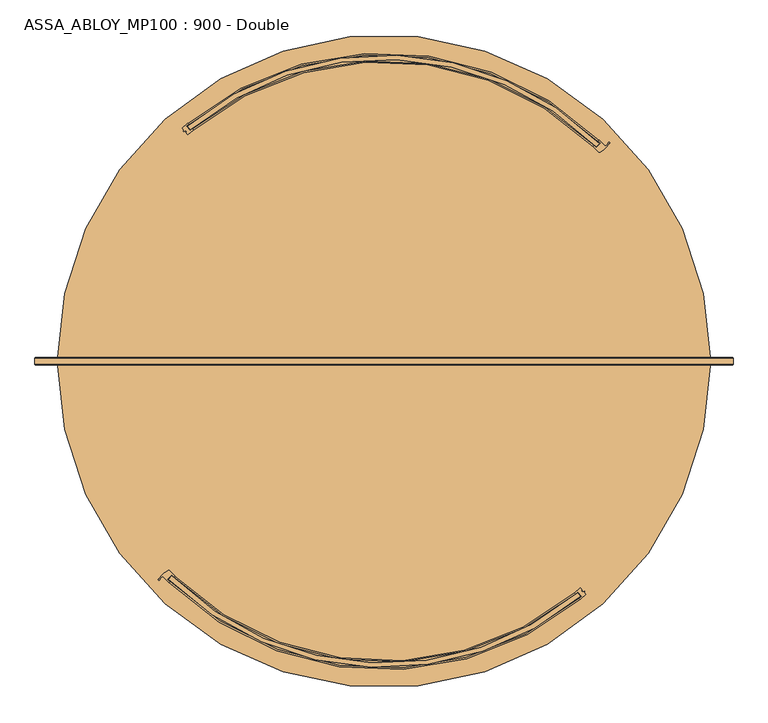
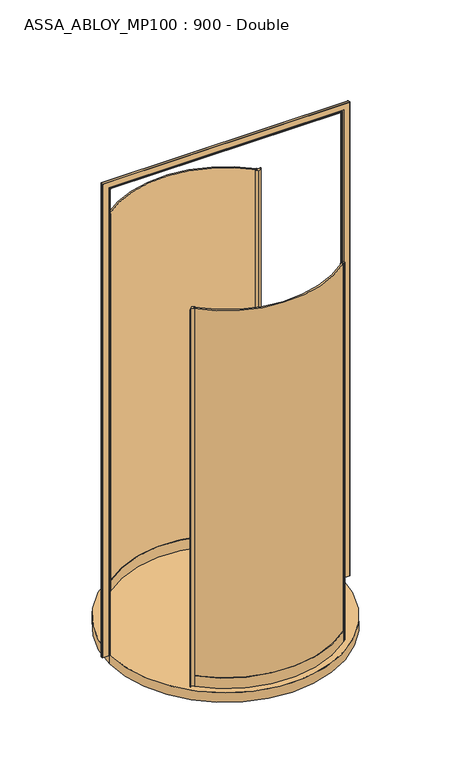
"""IFC4 building model written with IfcOpenShell, lengths in millimetres: door geometry, ASSA_ABLOY_MP100 : 900 - Double."""

import ifcopenshell
import ifcopenshell.guid

model = None  # the IFC model being written
_history = None  # IfcOwnerHistory: only IFC2X3 demands one
_inside = {}  # id of a spatial element -> (the spatial element, [elements in it])
_under = {}  # id of a project, library or spatial element -> (it, [spatial elements below it])
_declared = {}  # id of a project -> (the project, [libraries it declares])
_typed = {}  # id of a type object -> (the type object, [elements of that type])
_made_of = {}  # id of a material, layer set ... -> (it, [elements and type objects made of it])


def new_model(schema):
    """Start an empty IFC model of exactly this schema.

    Asked for "IFC4X3", IfcOpenShell would pick the latest addendum, in which some entities
    have other attributes; the version numbers below select the first issue.
    IFC2X3 requires an IfcOwnerHistory on every rooted entity: one is made here for all.
    """
    global model, _history
    if schema == "IFC4X3":
        model = ifcopenshell.file(schema_version=(4, 3, 0, 0))
    else:
        model = ifcopenshell.file(schema=schema)
    _inside.clear()
    _under.clear()
    _declared.clear()
    _typed.clear()
    _made_of.clear()
    _history = None
    if model.schema == "IFC2X3":
        org = make("IfcOrganization", Name="unknown")
        user = make(
            "IfcPersonAndOrganization",
            ThePerson=make("IfcPerson", FamilyName="unknown"),
            TheOrganization=org,
        )
        app = make(
            "IfcApplication",
            ApplicationDeveloper=org,
            Version="unknown",
            ApplicationFullName="unknown",
            ApplicationIdentifier="unknown",
        )
        _history = make(
            "IfcOwnerHistory",
            OwningUser=user,
            OwningApplication=app,
            ChangeAction="ADDED",
            CreationDate=0,
        )
    return model


def make(cls, **values):
    """One entity of the class cls with the attributes given. An attribute that is None is left unset."""
    return model.create_entity(
        cls, **{name: value for name, value in values.items() if value is not None}
    )


def rooted(cls, **values):
    """An entity with a GlobalId (a new one), such as an element, a storey or a relation."""
    return make(cls, GlobalId=ifcopenshell.guid.new(), OwnerHistory=_history, **values)


def si_unit(unit_type, name, prefix=None):
    """IfcSIUnit, for example si_unit("LENGTHUNIT", "METRE", prefix="MILLI")."""
    return make("IfcSIUnit", UnitType=unit_type, Prefix=prefix, Name=name)


def assignment(units):
    """IfcUnitAssignment: the units of a project."""
    return None if units is None else make("IfcUnitAssignment", Units=units)


def point(xyz):
    """IfcCartesianPoint."""
    return None if xyz is None else make("IfcCartesianPoint", Coordinates=xyz)


def direction(xyz):
    """IfcDirection."""
    return None if xyz is None else make("IfcDirection", DirectionRatios=xyz)


def frame(location, z_axis=None, x_axis=None):
    """IfcAxis2Placement3D, a coordinate frame: its origin and axes. An axis left out is left unset."""
    return make(
        "IfcAxis2Placement3D",
        Location=point(location),
        Axis=direction(z_axis),
        RefDirection=direction(x_axis),
    )


def frame_2d(location, x_axis=None):
    """IfcAxis2Placement2D, a coordinate frame in the plane: its origin and x axis."""
    return make(
        "IfcAxis2Placement2D", Location=point(location), RefDirection=direction(x_axis)
    )


def origin():
    """The frame at (0, 0, 0) with its axes left unset."""
    return frame((0.0, 0.0, 0.0))


def origin_with_axes():
    """The frame at (0, 0, 0) with the z axis (0, 0, 1) and the x axis (1, 0, 0) written out."""
    return frame((0.0, 0.0, 0.0), z_axis=(0.0, 0.0, 1.0), x_axis=(1.0, 0.0, 0.0))


def place(relative_to, where):
    """IfcLocalPlacement: puts the frame where relative to a parent placement (None: the world)."""
    return make(
        "IfcLocalPlacement", PlacementRelTo=relative_to, RelativePlacement=where
    )


def context(
    kind, dimensions, precision=None, world=None, true_north=None, identifier=None
):
    """IfcGeometricRepresentationContext, for example the 3D "Model" context."""
    return make(
        "IfcGeometricRepresentationContext",
        ContextIdentifier=identifier,
        ContextType=kind,
        CoordinateSpaceDimension=dimensions,
        Precision=precision,
        WorldCoordinateSystem=world,
        TrueNorth=true_north,
    )


def project(units=None, contexts=None):
    """IfcProject with its units and contexts."""
    return rooted(
        "IfcProject",
        Name="project",
        RepresentationContexts=contexts,
        UnitsInContext=assignment(units),
    )


def spatial(cls, under=None, at=None, **own):
    """A site, building, storey or space (cls), placed at a placement, below another one or the project."""
    s = rooted(cls, ObjectPlacement=at, **own)
    if under is not None:
        _under.setdefault(under.id(), (under, []))[1].append(s)
    return s


def polyline(points):
    """IfcPolyline through the points."""
    return make("IfcPolyline", Points=[point(p) for p in points])


def circle_curve(where, radius):
    """IfcCircle in the frame where."""
    return make("IfcCircle", Position=where, Radius=radius)


def ellipse_curve(where, semi_axis1, semi_axis2):
    """IfcEllipse in the frame where."""
    return make(
        "IfcEllipse", Position=where, SemiAxis1=semi_axis1, SemiAxis2=semi_axis2
    )


def trimmed(basis, trim1, trim2, sense, master):
    """IfcTrimmedCurve: the piece of a basis curve between two trims."""
    return make(
        "IfcTrimmedCurve",
        BasisCurve=basis,
        Trim1=trim1,
        Trim2=trim2,
        SenseAgreement=sense,
        MasterRepresentation=master,
    )


def segment(curve, same_sense, transition):
    """IfcCompositeCurveSegment."""
    return make(
        "IfcCompositeCurveSegment",
        Transition=transition,
        SameSense=same_sense,
        ParentCurve=curve,
    )


def composite_curve(segments, self_intersect=None):
    """IfcCompositeCurve: segments joined end to end."""
    return make("IfcCompositeCurve", Segments=segments, SelfIntersect=self_intersect)


def outline(outer, holes=None, kind="AREA"):
    """IfcArbitraryClosedProfileDef: a profile drawn as a closed curve; with holes, ...WithVoids."""
    if holes is None:
        return make("IfcArbitraryClosedProfileDef", ProfileType=kind, OuterCurve=outer)
    return make(
        "IfcArbitraryProfileDefWithVoids",
        ProfileType=kind,
        OuterCurve=outer,
        InnerCurves=holes,
    )


def extrude(swept, where, along, depth):
    """IfcExtrudedAreaSolid: the profile swept, set in the frame where, extruded along a direction by depth."""
    return make(
        "IfcExtrudedAreaSolid",
        SweptArea=swept,
        Position=where,
        ExtrudedDirection=direction(along),
        Depth=depth,
    )


def shape(context_of_items, identifier, shape_type, items):
    """IfcShapeRepresentation: the items that make up one representation, for example the "Body"."""
    return make(
        "IfcShapeRepresentation",
        ContextOfItems=context_of_items,
        RepresentationIdentifier=identifier,
        RepresentationType=shape_type,
        Items=items,
    )


def source(mapping_origin, context_of_items, identifier, shape_type, items):
    """IfcRepresentationMap: a shape defined once, which mapped items show again and again."""
    return make(
        "IfcRepresentationMap",
        MappingOrigin=mapping_origin,
        MappedRepresentation=shape(context_of_items, identifier, shape_type, items),
    )


def transform(
    local_origin,
    x_axis=None,
    y_axis=None,
    z_axis=None,
    scale=None,
    scale2=None,
    scale3=None,
    uniform=True,
):
    """IfcCartesianTransformationOperator3D, or its non-uniform kind. x_axis, y_axis, z_axis: its Axis1, 2, 3."""
    if uniform:
        return make(
            "IfcCartesianTransformationOperator3D",
            Axis1=direction(x_axis),
            Axis2=direction(y_axis),
            LocalOrigin=point(local_origin),
            Scale=scale,
            Axis3=direction(z_axis),
        )
    return make(
        "IfcCartesianTransformationOperator3DnonUniform",
        Axis1=direction(x_axis),
        Axis2=direction(y_axis),
        LocalOrigin=point(local_origin),
        Scale=scale,
        Axis3=direction(z_axis),
        Scale2=scale2,
        Scale3=scale3,
    )


def mapped(mapping_source, mapping_target):
    """IfcMappedItem: shows the shape of a source again, moved by a transform."""
    return make(
        "IfcMappedItem", MappingSource=mapping_source, MappingTarget=mapping_target
    )


def made_of(thing, what):
    """Note that an element or type object is made of a material, layer set ...; save() writes the relation."""
    if what is not None:
        _made_of.setdefault(what.id(), (what, []))[1].append(thing)
    return thing


def element(
    cls,
    number,
    at=None,
    inside=None,
    cuts=None,
    type_object=None,
    material=None,
    context=None,
    identifier="Body",
    shape_type=None,
    held_by="IfcProductDefinitionShape",
    body=None,
    shapes=None,
    **own,
):
    """One element of the class cls, such as IfcWall. Its Tag is "e" and its number.

    at: its placement. inside: the storey or other place that contains it. cuts: it is an
    opening in that element (IfcRelVoidsElement). A single representation is given by context,
    identifier, shape_type and body (its items); several are given by shapes. held_by: the class
    of the entity that holds the representations. save() writes the other relations.
    """
    e = rooted(cls, Tag="e%d" % number, ObjectPlacement=at, **own)
    if body is not None:
        shapes = [shape(context, identifier, shape_type, body)]
    if shapes is not None:
        e.Representation = make(held_by, Representations=shapes)
    if inside is not None:
        _inside.setdefault(inside.id(), (inside, []))[1].append(e)
    if cuts is not None:
        rooted(
            "IfcRelVoidsElement", RelatingBuildingElement=cuts, RelatedOpeningElement=e
        )
    if type_object is not None:
        _typed.setdefault(type_object.id(), (type_object, []))[1].append(e)
    return made_of(e, material)


def aggregate(whole, parts):
    """IfcRelAggregates: a whole, such as a stair, and the parts it consists of."""
    return rooted("IfcRelAggregates", RelatingObject=whole, RelatedObjects=parts)


def save(model, path):
    """Write the relations noted so far, then the file.

    IfcRelAggregates (storeys below a building ...), IfcRelContainedInSpatialStructure (elements
    in a storey), IfcRelDefinesByType, IfcRelAssociatesMaterial and IfcRelDeclares: one each for
    every whole, place, type object, material and project.
    """
    for whole, parts in _under.values():
        aggregate(whole, parts)
    for where, things in _inside.values():
        rooted(
            "IfcRelContainedInSpatialStructure",
            RelatedElements=things,
            RelatingStructure=where,
        )
    for kind, things in _typed.values():
        rooted("IfcRelDefinesByType", RelatedObjects=things, RelatingType=kind)
    for what, things in _made_of.values():
        rooted("IfcRelAssociatesMaterial", RelatedObjects=things, RelatingMaterial=what)
    for by, libraries in _declared.values():
        rooted("IfcRelDeclares", RelatingContext=by, RelatedDefinitions=libraries)
    model.write(path)


def plane_surface(at):
    """IfcPlane: the flat surface through the origin of the frame at, square to its z axis."""
    return make("IfcPlane", Position=at)


def cylinder_surface(at, radius):
    """IfcCylindricalSurface: all points at the distance radius from the z axis of the frame at."""
    return make("IfcCylindricalSurface", Position=at, Radius=radius)


def revolved_surface(curve, axis_point, axis_direction):
    """IfcSurfaceOfRevolution: the curve turned about the line through axis_point along axis_direction."""
    return make(
        "IfcSurfaceOfRevolution",
        SweptCurve=make("IfcArbitraryOpenProfileDef", ProfileType="CURVE", Curve=curve),
        AxisPosition=make("IfcAxis1Placement", Location=point(axis_point), Axis=direction(axis_direction)),
    )


def advanced_brep(points, edges, surfaces, faces):
    """IfcAdvancedBrep: a solid bounded by faces that lie on surfaces and meet in shared edges.

    An edge is (start, end): straight between two places in points (the first is 0);
    or (start, end, curve); or (start, end, curve, False) where it runs against its curve.
    A face is (place in surfaces, loops), or (place, loops, False) where it looks against
    its surface's normal. A loop lists edges by number (the first is 1), with a minus sign
    where the edge is run from its end to its start. The first loop is the outer one.
    """
    corners = [point(p) for p in points]
    vertices = [make("IfcVertexPoint", VertexGeometry=c) for c in corners]
    made = []
    for start, end, *more in edges:
        made.append(
            make(
                "IfcEdgeCurve",
                EdgeStart=vertices[start],
                EdgeEnd=vertices[end],
                EdgeGeometry=more[0] if more else make("IfcPolyline", Points=[corners[start], corners[end]]),
                SameSense=more[1] if len(more) > 1 else True,
            )
        )
    hull = []
    for where, loops, *sense in faces:
        bounds = []
        for j, loop in enumerate(loops):
            ring = [make("IfcOrientedEdge", EdgeElement=made[abs(k) - 1], Orientation=k > 0) for k in loop]
            bounds.append(
                make(
                    "IfcFaceOuterBound" if j == 0 else "IfcFaceBound",
                    Bound=make("IfcEdgeLoop", EdgeList=ring),
                    Orientation=True,
                )
            )
        hull.append(make("IfcAdvancedFace", Bounds=bounds, FaceSurface=surfaces[where], SameSense=sense[0] if sense else True))
    return make("IfcAdvancedBrep", Outer=make("IfcClosedShell", CfsFaces=hull))


def assa_abloy_mp100_900_double_cacc8bb5(model_context):
    return source(origin(), model_context, "Body", "SolidModel", [
        extrude(outline(composite_curve([segment(trimmed(circle_curve(frame_2d((125.0, 0.0)), 698.5), [point((-365.9895728, -496.8213858))], [point((572.911727, -535.9825882))], True, "CARTESIAN"), True, "CONTINUOUS"), segment(polyline([(572.911727, -535.9825882), (579.2710339, -543.7003566)]), True, "CONTINUOUS"), segment(trimmed(circle_curve(frame_2d((125.0, 0.0)), 708.5), [point((579.2710339, -543.7003566))], [point((-372.9678543, -503.9843907))], False, "CARTESIAN"), True, "CONTINUOUS"), segment(polyline([(-372.9678543, -503.9843907), (-365.9895728, -496.8213858)]), True, "CONTINUOUS")], self_intersect=False)), origin_with_axes(), (0.0, 0.0, 1.0), 2600.0),
        extrude(outline(composite_curve([segment(polyline([(578.994875, -524.2431721), (583.3305753, -529.5050553), (581.4011788, -531.0948444), (583.6268836, -533.7959994), (588.1303685, -531.7447887), (588.8351403, -532.6001123), (587.4592124, -534.5156429), (591.7169037, -539.682853)]), True, "CONTINUOUS"), segment(trimmed(circle_curve(frame_2d((125.0, 0.0)), 713.5), [point((591.7169037, -539.682853))], [point((578.7258137, -550.6497399))], False, "CARTESIAN"), True, "CONTINUOUS"), segment(polyline([(578.7258137, -550.6497399), (576.8180667, -548.3344642)]), True, "CONTINUOUS"), segment(trimmed(circle_curve(frame_2d((125.0, 0.0)), 710.5), [point((576.8180667, -548.3344642))], [point((582.1984481, -543.8564416))], True, "CARTESIAN"), True, "CONTINUOUS"), segment(polyline([(582.1984481, -543.8564416), (573.2951882, -533.0512867)]), True, "CONTINUOUS"), segment(trimmed(circle_curve(frame_2d((125.0, 0.0)), 696.5), [point((573.2951882, -533.0512867))], [point((567.7977457, -537.6266422))], False, "CARTESIAN"), True, "CONTINUOUS"), segment(polyline([(567.7977457, -537.6266422), (566.0075007, -535.2145685)]), True, "CONTINUOUS"), segment(trimmed(circle_curve(frame_2d((125.0, 0.0)), 693.5), [point((566.0075007, -535.2145685))], [point((578.994875, -524.2431721))], True, "CARTESIAN"), True, "CONTINUOUS")], self_intersect=False)), origin_with_axes(), (0.0, 0.0, 1.0), 2600.0),
        advanced_brep(
        [(-365.998522, -493.9942887, 0.0), (-375.699855, -504.0902616, 0.0), (-370.6884468, -508.9778468, 0.0), (-372.7670678, -511.1410238, 0.0), (-386.6133107, -497.2748611, 0.0), (-393.778249, -505.9668089, 0.0), (-396.349799, -504.6508512, 0.0), (-374.4826662, -484.364755, 0.0), (-370.8006619, -484.8633819, 0.0), (-358.9095948, -496.7198435, 0.0), (-360.9882157, -498.8830206, 0.0), (-365.998522, -493.9942887, 2600.0), (-360.9882157, -498.8830206, 2600.0), (-358.9095948, -496.7198435, 2600.0), (-370.8006619, -484.8633819, 2600.0), (-374.4826662, -484.364755, 2600.0), (-396.349799, -504.6508512, 2600.0), (-393.7920549, -505.9595954, 2600.0), (-386.6133107, -497.2748611, 2600.0), (-372.7670678, -511.1410238, 2600.0), (-370.6884468, -508.9778468, 2600.0), (-375.699855, -504.0902616, 2600.0)],
        [
            (0, 1),
            (1, 2, circle_curve(frame((-43.9985207, -168.9985207, 0.0), z_axis=(0.0, 0.0, 1.0), x_axis=(-0.707106781186553, 0.7071067811865419, 0.0)), 471.5)),
            (2, 3),
            (3, 4, circle_curve(frame((-43.9985207, -168.9985207, 0.0), z_axis=(0.0, 0.0, -1.0), x_axis=(-0.707106781186553, 0.7071067811865419, 0.0)), 474.5)),
            (4, 5, circle_curve(frame((-369.5950932, -518.6023736, 0.0), z_axis=(0.0, 0.0, 1.0), x_axis=(-0.707106781186553, 0.7071067811865419, 0.0)), 27.285207)),
            (5, 6, circle_curve(frame((-395.0653426, -505.2943097, 0.0), z_axis=(0.0, 0.0, -1.0), x_axis=(-0.707106781186553, 0.7071067811865419, 0.0)), 1.4366164)),
            (6, 7, circle_curve(frame((-338.9017941, -544.6474353, 0.0), z_axis=(0.0, 0.0, -1.0), x_axis=(-0.707106781186553, 0.7071067811865419, 0.0)), 70.0)),
            (7, 8, circle_curve(frame((-372.9577717, -486.9482985, 0.0), z_axis=(0.0, 0.0, -1.0), x_axis=(-0.707106781186553, 0.7071067811865419, 0.0)), 3.0)),
            (8, 9, circle_curve(frame((-43.9985207, -168.9985207, 0.0), z_axis=(0.0, 0.0, 1.0), x_axis=(-0.707106781186553, 0.7071067811865419, 0.0)), 454.5)),
            (9, 10),
            (10, 0, circle_curve(frame((-43.9985207, -168.9985207, 0.0), z_axis=(0.0, 0.0, -1.0), x_axis=(-0.707106781186553, 0.7071067811865419, 0.0)), 457.5)),
            (11, 12, circle_curve(frame((-43.9985207, -168.9985207, 2600.0), z_axis=(0.0, 0.0, 1.0), x_axis=(-0.707106781186553, 0.7071067811865419, 0.0)), 457.5)),
            (12, 13),
            (13, 14, circle_curve(frame((-43.9985207, -168.9985207, 2600.0), z_axis=(0.0, 0.0, -1.0), x_axis=(-0.707106781186553, 0.7071067811865419, 0.0)), 454.5)),
            (14, 15, circle_curve(frame((-372.9577717, -486.9482985, 2600.0), z_axis=(0.0, 0.0, 1.0), x_axis=(-0.707106781186553, 0.7071067811865419, 0.0)), 3.0)),
            (15, 16, circle_curve(frame((-338.9017941, -544.6474353, 2600.0), z_axis=(0.0, 0.0, 1.0), x_axis=(-0.707106781186553, 0.7071067811865419, 0.0)), 70.0)),
            (16, 17, circle_curve(frame((-395.0653426, -505.2943097, 2600.0), z_axis=(0.0, 0.0, 1.0), x_axis=(-0.707106781186553, 0.7071067811865419, 0.0)), 1.4366164)),
            (17, 18, circle_curve(frame((-369.5950932, -518.6023736, 2600.0), z_axis=(0.0, 0.0, -1.0), x_axis=(-0.707106781186553, 0.7071067811865419, 0.0)), 27.285207)),
            (18, 19, circle_curve(frame((-43.9985207, -168.9985207, 2600.0), z_axis=(0.0, 0.0, 1.0), x_axis=(-0.707106781186553, 0.7071067811865419, 0.0)), 474.5)),
            (19, 20),
            (20, 21, circle_curve(frame((-43.9985207, -168.9985207, 2600.0), z_axis=(0.0, 0.0, -1.0), x_axis=(-0.707106781186553, 0.7071067811865419, 0.0)), 471.5)),
            (21, 11),
            (0, 11),
            (21, 1),
            (20, 2),
            (19, 3),
            (18, 4),
            (8, 14),
            (13, 9),
            (12, 10),
            (17, 5),
            (16, 6),
            (15, 7),
        ],
        [
            plane_surface(frame((-365.3785528, -490.3785528, 0.0), z_axis=(0.0, 0.0, -1.0), x_axis=(-0.707106781186542, -0.7071067811865531, 0.0))),
            plane_surface(frame((-365.3785528, -490.3785528, 2600.0), z_axis=(0.0, 0.0, 1.0), x_axis=(-0.707106781186542, -0.7071067811865531, 0.0))),
            plane_surface(frame((-365.998522, -493.9942887, 0.0), z_axis=(0.7210590160944299, -0.692873650320845, 0.0), x_axis=(0.0, 0.0, 1.0))),
            revolved_surface(polyline([(-377.39936802945977, 164.4023266294545, 2600.0), (-377.39936802945977, 164.4023266294545, 0.0)]), (-43.9985207, -168.9985207, 0.0), (0.0, 0.0, 1.0)),
            plane_surface(frame((-370.6884468, -508.9778468, 0.0), z_axis=(0.7210590160945624, -0.6928736503207072, 0.0), x_axis=(0.0, 0.0, 1.0))),
            cylinder_surface(frame((-43.9985207, -168.9985207, 0.0), z_axis=(0.0, 0.0, -1.0), x_axis=(-0.707106781186553, 0.7071067811865419, 0.0)), 474.5),
            revolved_surface(polyline([(-365.37855274928836, 152.38151134928327, 2600.0), (-365.37855274928836, 152.38151134928327, 0.0)]), (-43.9985207, -168.9985207, 0.0), (0.0, 0.0, 1.0)),
            plane_surface(frame((-358.9095948, -496.7198435, 0.0), z_axis=(0.7210590160946411, -0.6928736503206254, 0.0), x_axis=(0.0, 0.0, 1.0))),
            cylinder_surface(frame((-43.9985207, -168.9985207, 0.0), z_axis=(0.0, 0.0, -1.0), x_axis=(-0.707106781186553, 0.7071067811865419, 0.0)), 457.5),
            revolved_surface(polyline([(-388.8886480957788, -499.30881870422144, 2600.0), (-388.8886480957788, -499.30881870422144, 0.0)]), (-369.5950932, -518.6023736, 0.0), (0.0, 0.0, 1.0)),
            cylinder_surface(frame((-395.0653426, -505.2943097, 0.0), z_axis=(0.0, 0.0, -1.0), x_axis=(-0.707106781186553, 0.7071067811865419, 0.0)), 1.4366164),
            cylinder_surface(frame((-338.9017941, -544.6474353, 0.0), z_axis=(0.0, 0.0, -1.0), x_axis=(-0.707106781186553, 0.7071067811865419, 0.0)), 70.0),
            cylinder_surface(frame((-372.9577717, -486.9482985, 0.0), z_axis=(0.0, 0.0, -1.0), x_axis=(-0.707106781186553, 0.7071067811865419, 0.0)), 3.0),
        ],
        [
            (0, [[1, 2, 3, 4, 5, 6, 7, 8, 9, 10, 11]]),
            (1, [[12, 13, 14, 15, 16, 17, 18, 19, 20, 21, 22]]),
            (2, [[-1, 23, -22, 24]]),
            (3, [[-2, -24, -21, 25]]),
            (4, [[-3, -25, -20, 26]]),
            (5, [[-4, -26, -19, 27]]),
            (6, [[-9, 28, -14, 29]]),
            (7, [[-10, -29, -13, 30]]),
            (8, [[-11, -30, -12, -23]]),
            (9, [[-5, -27, -18, 31]]),
            (10, [[-6, -31, -17, 32]]),
            (11, [[-7, -32, -16, 33]]),
            (12, [[-8, -33, -15, -28]]),
        ],
    ),
        advanced_brep(
        [(-358.931596, -496.7418448, 73.0), (-358.931596, -496.7418448, 0.0), (-361.0250276, -498.890692, 0.0), (-361.0250276, -498.890692, 24.0), (-370.7943749, -508.9186456, 24.0), (-370.7943749, -508.9186456, 0.0), (-372.8878064, -511.0674928, 0.0), (-372.8878064, -511.0674928, 73.0), (-370.7943749, -508.9186456, 73.0), (-370.7943749, -508.9186456, 39.0), (-361.0250276, -498.890692, 39.0), (-361.0250276, -498.890692, 73.0), (566.0075007, -535.2145685, 73.0), (567.9152477, -537.5298442, 73.0), (567.9152477, -537.5298442, 39.0), (576.8180667, -548.3344642, 39.0), (576.8180667, -548.3344642, 73.0), (578.7258137, -550.6497399, 73.0), (578.7258137, -550.6497399, 0.0), (576.8180667, -548.3344642, 0.0), (576.8180667, -548.3344642, 24.0), (567.9152477, -537.5298442, 24.0), (567.9152477, -537.5298442, 0.0), (566.0075007, -535.2145685, 0.0)],
        [
            (0, 1),
            (1, 2),
            (2, 3),
            (3, 4),
            (4, 5),
            (5, 6),
            (6, 7),
            (7, 8),
            (8, 9),
            (9, 10),
            (10, 11),
            (11, 0),
            (12, 13),
            (13, 14),
            (14, 15),
            (15, 16),
            (16, 17),
            (17, 18),
            (18, 19),
            (19, 20),
            (20, 21),
            (21, 22),
            (22, 23),
            (23, 12),
            (23, 1, circle_curve(frame((125.0, 0.0, 0.0), z_axis=(0.0, 0.0, -1.0), x_axis=(-0.6978105206016527, -0.7162824005499858, 0.0)), 693.5)),
            (0, 12, circle_curve(frame((125.0, 0.0, 73.0), z_axis=(0.0, 0.0, 1.0), x_axis=(-0.6978105206016527, -0.7162824005499858, 0.0)), 693.5)),
            (22, 2, circle_curve(frame((125.0, 0.0, 0.0), z_axis=(0.0, 0.0, -1.0), x_axis=(-0.6978105206016527, -0.7162824005499858, 0.0)), 696.5)),
            (21, 3, circle_curve(frame((125.0, 0.0, 24.0), z_axis=(0.0, 0.0, -1.0), x_axis=(-0.6978105206016527, -0.7162824005499858, 0.0)), 696.5)),
            (20, 4, circle_curve(frame((125.0, 0.0, 24.0), z_axis=(0.0, 0.0, -1.0), x_axis=(-0.6978105206016527, -0.7162824005499858, 0.0)), 710.5)),
            (19, 5, circle_curve(frame((125.0, 0.0, 0.0), z_axis=(0.0, 0.0, -1.0), x_axis=(-0.6978105206016527, -0.7162824005499858, 0.0)), 710.5)),
            (18, 6, circle_curve(frame((125.0, 0.0, 0.0), z_axis=(0.0, 0.0, -1.0), x_axis=(-0.6978105206016527, -0.7162824005499858, 0.0)), 713.5)),
            (17, 7, circle_curve(frame((125.0, 0.0, 73.0), z_axis=(0.0, 0.0, -1.0), x_axis=(-0.6978105206016527, -0.7162824005499858, 0.0)), 713.5)),
            (16, 8, circle_curve(frame((125.0, 0.0, 73.0), z_axis=(0.0, 0.0, -1.0), x_axis=(-0.6978105206016527, -0.7162824005499858, 0.0)), 710.5)),
            (15, 9, circle_curve(frame((125.0, 0.0, 39.0), z_axis=(0.0, 0.0, -1.0), x_axis=(-0.6978105206016527, -0.7162824005499858, 0.0)), 710.5)),
            (14, 10, circle_curve(frame((125.0, 0.0, 39.0), z_axis=(0.0, 0.0, -1.0), x_axis=(-0.6978105206016527, -0.7162824005499858, 0.0)), 696.5)),
            (13, 11, circle_curve(frame((125.0, 0.0, 73.0), z_axis=(0.0, 0.0, -1.0), x_axis=(-0.6978105206016527, -0.7162824005499858, 0.0)), 696.5)),
        ],
        [
            plane_surface(frame((-358.931596, -496.7418448, 0.0), z_axis=(-0.7162824005499859, 0.6978105206016527, 0.0), x_axis=(0.0, 0.0, 1.0))),
            plane_surface(frame((566.0075007, -535.2145685, 0.0), z_axis=(0.7717585702338591, 0.6359156463483107, 0.0), x_axis=(0.0, 0.0, 1.0))),
            revolved_surface(polyline([(-358.93159603724615, -496.7418447814152, 73.00000000000003), (-358.93159603724615, -496.7418447814152, 0.0)]), (125.0, 0.0, 0.0), (0.0, 0.0, 1.0000000000000002)),
            plane_surface(frame((125.0, 0.0, 0.0), z_axis=(0.0, 0.0, -1.0), x_axis=(-0.6978105206016527, -0.7162824005499858, 0.0))),
            cylinder_surface(frame((125.0, 0.0, 0.0), z_axis=(0.0, 0.0, 1.0000000000000002), x_axis=(-0.6978105206016527, -0.7162824005499858, 0.0)), 696.5),
            plane_surface(frame((125.0, 0.0, 24.0), z_axis=(0.0, 0.0, -1.0), x_axis=(-0.6978105206016527, -0.7162824005499858, 0.0))),
            revolved_surface(polyline([(-370.79437488747425, -508.9186455907649, 24.000000000000014), (-370.79437488747425, -508.9186455907649, 0.0)]), (125.0, 0.0, 0.0), (0.0, 0.0, 1.0000000000000002)),
            cylinder_surface(frame((125.0, 0.0, 0.0), z_axis=(0.0, 0.0, 1.0000000000000002), x_axis=(-0.6978105206016527, -0.7162824005499858, 0.0)), 713.5),
            plane_surface(frame((125.0, 0.0, 73.0), z_axis=(0.0, 0.0, 1.0), x_axis=(-0.6978105206016527, -0.7162824005499858, 0.0))),
            revolved_surface(polyline([(-370.79437488747425, -508.9186455907649, 73.00000000000003), (-370.79437488747425, -508.9186455907649, 39.000000000000014)]), (125.0, 0.0, 0.0), (0.0, 0.0, 1.0000000000000002)),
            plane_surface(frame((125.0, 0.0, 39.0), z_axis=(0.0, 0.0, 1.0), x_axis=(-0.6978105206016527, -0.7162824005499858, 0.0))),
        ],
        [
            (0, [[1, 2, 3, 4, 5, 6, 7, 8, 9, 10, 11, 12]]),
            (1, [[13, 14, 15, 16, 17, 18, 19, 20, 21, 22, 23, 24]]),
            (2, [[25, -1, 26, -24]]),
            (3, [[27, -2, -25, -23]]),
            (4, [[28, -3, -27, -22]]),
            (5, [[29, -4, -28, -21]]),
            (6, [[30, -5, -29, -20]]),
            (3, [[31, -6, -30, -19]]),
            (7, [[32, -7, -31, -18]]),
            (8, [[33, -8, -32, -17]]),
            (9, [[34, -9, -33, -16]]),
            (10, [[35, -10, -34, -15]]),
            (4, [[36, -11, -35, -14]]),
            (8, [[-26, -12, -36, -13]]),
        ],
    ),
        extrude(outline(composite_curve([segment(trimmed(circle_curve(frame_2d((125.0, 0.0)), 698.5), [point((615.9895728, 496.8213858))], [point((-322.911727, 535.9825882))], True, "CARTESIAN"), True, "CONTINUOUS"), segment(polyline([(-322.911727, 535.9825882), (-329.2710339, 543.7003566)]), True, "CONTINUOUS"), segment(trimmed(circle_curve(frame_2d((125.0, 0.0)), 708.5), [point((-329.2710339, 543.7003566))], [point((622.9678543, 503.9843907))], False, "CARTESIAN"), True, "CONTINUOUS"), segment(polyline([(622.9678543, 503.9843907), (615.9895728, 496.8213858)]), True, "CONTINUOUS")], self_intersect=False)), origin_with_axes(), (0.0, 0.0, 1.0), 2600.0),
        extrude(outline(composite_curve([segment(polyline([(-328.994875, 524.2431721), (-333.3305753, 529.5050553), (-331.4011788, 531.0948444), (-333.6268836, 533.7959994), (-338.1303685, 531.7447887), (-338.8351403, 532.6001123), (-337.4592124, 534.5156429), (-341.7169037, 539.682853)]), True, "CONTINUOUS"), segment(trimmed(circle_curve(frame_2d((125.0, 0.0)), 713.5), [point((-341.7169037, 539.682853))], [point((-328.7258137, 550.6497399))], False, "CARTESIAN"), True, "CONTINUOUS"), segment(polyline([(-328.7258137, 550.6497399), (-326.8180667, 548.3344642)]), True, "CONTINUOUS"), segment(trimmed(circle_curve(frame_2d((125.0, 0.0)), 710.5), [point((-326.8180667, 548.3344642))], [point((-332.1984481, 543.8564416))], True, "CARTESIAN"), True, "CONTINUOUS"), segment(polyline([(-332.1984481, 543.8564416), (-323.2951882, 533.0512867)]), True, "CONTINUOUS"), segment(trimmed(circle_curve(frame_2d((125.0, 0.0)), 696.5), [point((-323.2951882, 533.0512867))], [point((-317.7977457, 537.6266422))], False, "CARTESIAN"), True, "CONTINUOUS"), segment(polyline([(-317.7977457, 537.6266422), (-316.0075007, 535.2145685)]), True, "CONTINUOUS"), segment(trimmed(circle_curve(frame_2d((125.0, 0.0)), 693.5), [point((-316.0075007, 535.2145685))], [point((-328.994875, 524.2431721))], True, "CARTESIAN"), True, "CONTINUOUS")], self_intersect=False)), origin_with_axes(), (0.0, 0.0, 1.0), 2600.0),
        advanced_brep(
        [(615.998522, 493.9942887, 0.0), (625.699855, 504.0902616, 0.0), (620.6884468, 508.9778468, 0.0), (622.7670678, 511.1410238, 0.0), (636.6133107, 497.2748611, 0.0), (643.778249, 505.9668089, 0.0), (646.349799, 504.6508512, 0.0), (624.4826662, 484.364755, 0.0), (620.8006619, 484.8633819, 0.0), (608.9095948, 496.7198435, 0.0), (610.9882157, 498.8830206, 0.0), (615.998522, 493.9942887, 2600.0), (610.9882157, 498.8830206, 2600.0), (608.9095948, 496.7198435, 2600.0), (620.8006619, 484.8633819, 2600.0), (624.4826662, 484.364755, 2600.0), (646.349799, 504.6508512, 2600.0), (643.7920549, 505.9595954, 2600.0), (636.6133107, 497.2748611, 2600.0), (622.7670678, 511.1410238, 2600.0), (620.6884468, 508.9778468, 2600.0), (625.699855, 504.0902616, 2600.0)],
        [
            (0, 1),
            (1, 2, circle_curve(frame((293.9985207, 168.9985207, 0.0), z_axis=(0.0, 0.0, 1.0), x_axis=(0.7071067811865525, -0.7071067811865417, 0.0)), 471.5)),
            (2, 3),
            (3, 4, circle_curve(frame((293.9985207, 168.9985207, 0.0), z_axis=(0.0, 0.0, -1.0), x_axis=(0.7071067811865525, -0.7071067811865417, 0.0)), 474.5)),
            (4, 5, circle_curve(frame((619.5950932, 518.6023736, 0.0), z_axis=(0.0, 0.0, 1.0), x_axis=(0.7071067811865525, -0.7071067811865417, 0.0)), 27.285207)),
            (5, 6, circle_curve(frame((645.0653426, 505.2943097, 0.0), z_axis=(0.0, 0.0, -1.0), x_axis=(0.7071067811865525, -0.7071067811865417, 0.0)), 1.4366164)),
            (6, 7, circle_curve(frame((588.9017941, 544.6474353, 0.0), z_axis=(0.0, 0.0, -1.0), x_axis=(0.7071067811865525, -0.7071067811865417, 0.0)), 70.0)),
            (7, 8, circle_curve(frame((622.9577717, 486.9482985, 0.0), z_axis=(0.0, 0.0, -1.0), x_axis=(0.7071067811865525, -0.7071067811865417, 0.0)), 3.0)),
            (8, 9, circle_curve(frame((293.9985207, 168.9985207, 0.0), z_axis=(0.0, 0.0, 1.0), x_axis=(0.7071067811865525, -0.7071067811865417, 0.0)), 454.5)),
            (9, 10),
            (10, 0, circle_curve(frame((293.9985207, 168.9985207, 0.0), z_axis=(0.0, 0.0, -1.0), x_axis=(0.7071067811865525, -0.7071067811865417, 0.0)), 457.5)),
            (11, 12, circle_curve(frame((293.9985207, 168.9985207, 2600.0), z_axis=(0.0, 0.0, 1.0), x_axis=(0.7071067811865525, -0.7071067811865417, 0.0)), 457.5)),
            (12, 13),
            (13, 14, circle_curve(frame((293.9985207, 168.9985207, 2600.0), z_axis=(0.0, 0.0, -1.0), x_axis=(0.7071067811865525, -0.7071067811865417, 0.0)), 454.5)),
            (14, 15, circle_curve(frame((622.9577717, 486.9482985, 2600.0), z_axis=(0.0, 0.0, 1.0), x_axis=(0.7071067811865525, -0.7071067811865417, 0.0)), 3.0)),
            (15, 16, circle_curve(frame((588.9017941, 544.6474353, 2600.0), z_axis=(0.0, 0.0, 1.0), x_axis=(0.7071067811865525, -0.7071067811865417, 0.0)), 70.0)),
            (16, 17, circle_curve(frame((645.0653426, 505.2943097, 2600.0), z_axis=(0.0, 0.0, 1.0), x_axis=(0.7071067811865525, -0.7071067811865417, 0.0)), 1.4366164)),
            (17, 18, circle_curve(frame((619.5950932, 518.6023736, 2600.0), z_axis=(0.0, 0.0, -1.0), x_axis=(0.7071067811865525, -0.7071067811865417, 0.0)), 27.285207)),
            (18, 19, circle_curve(frame((293.9985207, 168.9985207, 2600.0), z_axis=(0.0, 0.0, 1.0), x_axis=(0.7071067811865525, -0.7071067811865417, 0.0)), 474.5)),
            (19, 20),
            (20, 21, circle_curve(frame((293.9985207, 168.9985207, 2600.0), z_axis=(0.0, 0.0, -1.0), x_axis=(0.7071067811865525, -0.7071067811865417, 0.0)), 471.5)),
            (21, 11),
            (0, 11),
            (21, 1),
            (20, 2),
            (19, 3),
            (18, 4),
            (8, 14),
            (13, 9),
            (12, 10),
            (17, 5),
            (16, 6),
            (15, 7),
        ],
        [
            plane_surface(frame((615.3785528, 490.3785528, 0.0), z_axis=(0.0, 0.0, -1.0), x_axis=(0.7071067811865421, 0.7071067811865529, 0.0))),
            plane_surface(frame((615.3785528, 490.3785528, 2600.0), z_axis=(0.0, 0.0, 1.0), x_axis=(0.7071067811865421, 0.7071067811865529, 0.0))),
            plane_surface(frame((615.998522, 493.9942887, 0.0), z_axis=(-0.7210590160944298, 0.6928736503208452, 0.0), x_axis=(0.0, 0.0, 1.0))),
            revolved_surface(polyline([(627.3993680294595, -164.4023266294544, 2600.0), (627.3993680294595, -164.4023266294544, 0.0)]), (293.9985207, 168.9985207, 0.0), (0.0, 0.0, 1.0)),
            plane_surface(frame((620.6884468, 508.9778468, 0.0), z_axis=(-0.7210590160945622, 0.6928736503207075, 0.0), x_axis=(0.0, 0.0, 1.0))),
            cylinder_surface(frame((293.9985207, 168.9985207, 0.0), z_axis=(0.0, 0.0, -1.0), x_axis=(0.7071067811865525, -0.7071067811865417, 0.0)), 474.5),
            revolved_surface(polyline([(615.378552749288, -152.38151134928322, 2600.0), (615.378552749288, -152.38151134928322, 0.0)]), (293.9985207, 168.9985207, 0.0), (0.0, 0.0, 1.0)),
            plane_surface(frame((608.9095948, 496.7198435, 0.0), z_axis=(-0.7210590160946408, 0.6928736503206255, 0.0), x_axis=(0.0, 0.0, 1.0))),
            cylinder_surface(frame((293.9985207, 168.9985207, 0.0), z_axis=(0.0, 0.0, -1.0), x_axis=(0.7071067811865525, -0.7071067811865417, 0.0)), 457.5),
            revolved_surface(polyline([(638.8886480957788, 499.3088187042215, 2600.0), (638.8886480957788, 499.3088187042215, 0.0)]), (619.5950932, 518.6023736, 0.0), (0.0, 0.0, 1.0)),
            cylinder_surface(frame((645.0653426, 505.2943097, 0.0), z_axis=(0.0, 0.0, -1.0), x_axis=(0.7071067811865525, -0.7071067811865417, 0.0)), 1.4366164),
            cylinder_surface(frame((588.9017941, 544.6474353, 0.0), z_axis=(0.0, 0.0, -1.0), x_axis=(0.7071067811865525, -0.7071067811865417, 0.0)), 70.0),
            cylinder_surface(frame((622.9577717, 486.9482985, 0.0), z_axis=(0.0, 0.0, -1.0), x_axis=(0.7071067811865525, -0.7071067811865417, 0.0)), 3.0),
        ],
        [
            (0, [[1, 2, 3, 4, 5, 6, 7, 8, 9, 10, 11]]),
            (1, [[12, 13, 14, 15, 16, 17, 18, 19, 20, 21, 22]]),
            (2, [[-1, 23, -22, 24]]),
            (3, [[-2, -24, -21, 25]]),
            (4, [[-3, -25, -20, 26]]),
            (5, [[-4, -26, -19, 27]]),
            (6, [[-9, 28, -14, 29]]),
            (7, [[-10, -29, -13, 30]]),
            (8, [[-11, -30, -12, -23]]),
            (9, [[-5, -27, -18, 31]]),
            (10, [[-6, -31, -17, 32]]),
            (11, [[-7, -32, -16, 33]]),
            (12, [[-8, -33, -15, -28]]),
        ],
    ),
        advanced_brep(
        [(608.931596, 496.7418448, 73.0), (608.931596, 496.7418448, 0.0), (611.0250276, 498.890692, 0.0), (611.0250276, 498.890692, 24.0), (620.7943749, 508.9186456, 24.0), (620.7943749, 508.9186456, 0.0), (622.8878064, 511.0674928, 0.0), (622.8878064, 511.0674928, 73.0), (620.7943749, 508.9186456, 73.0), (620.7943749, 508.9186456, 39.0), (611.0250276, 498.890692, 39.0), (611.0250276, 498.890692, 73.0), (-316.0075007, 535.2145685, 73.0), (-317.9152477, 537.5298442, 73.0), (-317.9152477, 537.5298442, 39.0), (-326.8180667, 548.3344642, 39.0), (-326.8180667, 548.3344642, 73.0), (-328.7258137, 550.6497399, 73.0), (-328.7258137, 550.6497399, 0.0), (-326.8180667, 548.3344642, 0.0), (-326.8180667, 548.3344642, 24.0), (-317.9152477, 537.5298442, 24.0), (-317.9152477, 537.5298442, 0.0), (-316.0075007, 535.2145685, 0.0)],
        [
            (0, 1),
            (1, 2),
            (2, 3),
            (3, 4),
            (4, 5),
            (5, 6),
            (6, 7),
            (7, 8),
            (8, 9),
            (9, 10),
            (10, 11),
            (11, 0),
            (12, 13),
            (13, 14),
            (14, 15),
            (15, 16),
            (16, 17),
            (17, 18),
            (18, 19),
            (19, 20),
            (20, 21),
            (21, 22),
            (22, 23),
            (23, 12),
            (23, 1, circle_curve(frame((125.0, 0.0, 0.0), z_axis=(0.0, 0.0, -1.0), x_axis=(0.6978105206016525, 0.7162824005499853, 0.0)), 693.5)),
            (0, 12, circle_curve(frame((125.0, 0.0, 73.0), z_axis=(0.0, 0.0, 1.0), x_axis=(0.6978105206016525, 0.7162824005499853, 0.0)), 693.5)),
            (22, 2, circle_curve(frame((125.0, 0.0, 0.0), z_axis=(0.0, 0.0, -1.0), x_axis=(0.6978105206016525, 0.7162824005499853, 0.0)), 696.5)),
            (21, 3, circle_curve(frame((125.0, 0.0, 24.0), z_axis=(0.0, 0.0, -1.0), x_axis=(0.6978105206016525, 0.7162824005499853, 0.0)), 696.5)),
            (20, 4, circle_curve(frame((125.0, 0.0, 24.0), z_axis=(0.0, 0.0, -1.0), x_axis=(0.6978105206016525, 0.7162824005499853, 0.0)), 710.5)),
            (19, 5, circle_curve(frame((125.0, 0.0, 0.0), z_axis=(0.0, 0.0, -1.0), x_axis=(0.6978105206016525, 0.7162824005499853, 0.0)), 710.5)),
            (18, 6, circle_curve(frame((125.0, 0.0, 0.0), z_axis=(0.0, 0.0, -1.0), x_axis=(0.6978105206016525, 0.7162824005499853, 0.0)), 713.5)),
            (17, 7, circle_curve(frame((125.0, 0.0, 73.0), z_axis=(0.0, 0.0, -1.0), x_axis=(0.6978105206016525, 0.7162824005499853, 0.0)), 713.5)),
            (16, 8, circle_curve(frame((125.0, 0.0, 73.0), z_axis=(0.0, 0.0, -1.0), x_axis=(0.6978105206016525, 0.7162824005499853, 0.0)), 710.5)),
            (15, 9, circle_curve(frame((125.0, 0.0, 39.0), z_axis=(0.0, 0.0, -1.0), x_axis=(0.6978105206016525, 0.7162824005499853, 0.0)), 710.5)),
            (14, 10, circle_curve(frame((125.0, 0.0, 39.0), z_axis=(0.0, 0.0, -1.0), x_axis=(0.6978105206016525, 0.7162824005499853, 0.0)), 696.5)),
            (13, 11, circle_curve(frame((125.0, 0.0, 73.0), z_axis=(0.0, 0.0, -1.0), x_axis=(0.6978105206016525, 0.7162824005499853, 0.0)), 696.5)),
        ],
        [
            plane_surface(frame((608.931596, 496.7418448, 0.0), z_axis=(0.7162824005499858, -0.6978105206016529, 0.0), x_axis=(0.0, 0.0, 1.0))),
            plane_surface(frame((-316.0075007, 535.2145685, 0.0), z_axis=(-0.7717585702338592, -0.6359156463483105, 0.0), x_axis=(0.0, 0.0, 1.0))),
            revolved_surface(polyline([(608.931596037246, 496.7418447814148, 73.00000000000003), (608.931596037246, 496.7418447814148, 0.0)]), (125.0, 0.0, 0.0), (0.0, 0.0, 1.0000000000000002)),
            plane_surface(frame((125.0, 0.0, 0.0), z_axis=(0.0, 0.0, -1.0), x_axis=(0.6978105206016529, 0.7162824005499857, 0.0))),
            cylinder_surface(frame((125.0, 0.0, 0.0), z_axis=(0.0, 0.0, 1.0000000000000002), x_axis=(0.6978105206016525, 0.7162824005499853, 0.0)), 696.5),
            plane_surface(frame((125.0, 0.0, 24.0), z_axis=(0.0, 0.0, -1.0), x_axis=(0.6978105206016529, 0.7162824005499857, 0.0))),
            revolved_surface(polyline([(620.7943748874741, 508.9186455907645, 24.000000000000014), (620.7943748874741, 508.9186455907645, 0.0)]), (125.0, 0.0, 0.0), (0.0, 0.0, 1.0000000000000002)),
            cylinder_surface(frame((125.0, 0.0, 0.0), z_axis=(0.0, 0.0, 1.0000000000000002), x_axis=(0.6978105206016525, 0.7162824005499853, 0.0)), 713.5),
            plane_surface(frame((125.0, 0.0, 73.0), z_axis=(0.0, 0.0, 1.0), x_axis=(0.6978105206016529, 0.7162824005499857, 0.0))),
            revolved_surface(polyline([(620.7943748874741, 508.9186455907645, 73.00000000000003), (620.7943748874741, 508.9186455907645, 39.000000000000014)]), (125.0, 0.0, 0.0), (0.0, 0.0, 1.0000000000000002)),
            plane_surface(frame((125.0, 0.0, 39.0), z_axis=(0.0, 0.0, 1.0), x_axis=(0.6978105206016529, 0.7162824005499857, 0.0))),
        ],
        [
            (0, [[1, 2, 3, 4, 5, 6, 7, 8, 9, 10, 11, 12]]),
            (1, [[13, 14, 15, 16, 17, 18, 19, 20, 21, 22, 23, 24]]),
            (2, [[25, -1, 26, -24]]),
            (3, [[27, -2, -25, -23]]),
            (4, [[28, -3, -27, -22]]),
            (5, [[29, -4, -28, -21]]),
            (6, [[30, -5, -29, -20]]),
            (3, [[31, -6, -30, -19]]),
            (7, [[32, -7, -31, -18]]),
            (8, [[33, -8, -32, -17]]),
            (9, [[34, -9, -33, -16]]),
            (10, [[35, -10, -34, -15]]),
            (4, [[36, -11, -35, -14]]),
            (8, [[-26, -12, -36, -13]]),
        ],
    ),
        extrude(outline(composite_curve([segment(trimmed(circle_curve(frame_2d((125.0, 0.0)), 755.0), [point((-630.0, 0.0))], [point((880.0, 0.0))], False, "CARTESIAN"), True, "CONTINUOUS"), segment(trimmed(circle_curve(frame_2d((125.0, 0.0)), 755.0), [point((880.0, 0.0))], [point((-630.0, 0.0))], False, "CARTESIAN"), True, "CONTINUOUS")], self_intersect=False)), frame((0.0, 0.0, -65.0), z_axis=(0.0, 0.0, 1.0), x_axis=(1.0, 0.0, 0.0)), (0.0, 0.0, 1.0), 65.0),
        advanced_brep(
        [(880.9, 6.0, 0.0), (883.1980762, 6.0, 0.0), (884.0980762, 5.1, 0.0), (884.0980762, -5.1, 0.0), (883.1980762, -6.0, 0.0), (880.9, -6.0, 0.0), (880.0, -5.1, 0.0), (880.0, 5.1, 0.0), (-630.9, 6.0, 0.0), (-630.0, 5.1, 0.0), (-630.0, -5.1, 0.0), (-630.9, -6.0, 0.0), (-633.1980762, -6.0, 0.0), (-634.0980762, -5.1, 0.0), (-634.0980762, 5.1, 0.0), (-633.1980762, 6.0, 0.0), (880.9, 6.0, 3211.8), (-630.9, 6.0, 3211.8), (-633.1980762, 6.0, 3214.0980762), (883.1980762, 6.0, 3214.0980762), (884.0980762, 5.1, 3214.9980762), (884.0980762, -5.1, 3214.9980762), (883.1980762, -6.0, 3214.0980762), (-633.1980762, -6.0, 3214.0980762), (-630.9, -6.0, 3211.8), (880.9, -6.0, 3211.8), (880.0, -5.1, 3210.9), (880.0, 5.1, 3210.9), (-634.0980762, 5.1, 3214.9980762), (-634.0980762, -5.1, 3214.9980762), (-630.0, -5.1, 3210.9), (-630.0, 5.1, 3210.9)],
        [
            (0, 1),
            (1, 2, circle_curve(frame((883.1980762, 5.1, 0.0), z_axis=(0.0, 0.0, -1.0), x_axis=(-1.0, 0.0, 0.0)), 0.9)),
            (2, 3),
            (3, 4, circle_curve(frame((883.1980762, -5.1, 0.0), z_axis=(0.0, 0.0, -1.0), x_axis=(-1.0, 0.0, 0.0)), 0.9)),
            (4, 5),
            (5, 6, circle_curve(frame((880.9, -5.1, 0.0), z_axis=(0.0, 0.0, -1.0), x_axis=(-1.0, 0.0, 0.0)), 0.9)),
            (6, 7),
            (7, 0, circle_curve(frame((880.9, 5.1, 0.0), z_axis=(0.0, 0.0, -1.0), x_axis=(-1.0, 0.0, 0.0)), 0.9)),
            (8, 9, circle_curve(frame((-630.9, 5.1, 0.0), z_axis=(0.0, 0.0, -1.0), x_axis=(1.0, 0.0, 0.0)), 0.9)),
            (9, 10),
            (10, 11, circle_curve(frame((-630.9, -5.1, 0.0), z_axis=(0.0, 0.0, -1.0), x_axis=(1.0, 0.0, 0.0)), 0.9)),
            (11, 12),
            (12, 13, circle_curve(frame((-633.1980762, -5.1, 0.0), z_axis=(0.0, 0.0, -1.0), x_axis=(1.0, 0.0, 0.0)), 0.9)),
            (13, 14),
            (14, 15, circle_curve(frame((-633.1980762, 5.1, 0.0), z_axis=(0.0, 0.0, -1.0), x_axis=(1.0, 0.0, 0.0)), 0.9)),
            (15, 8),
            (0, 16),
            (16, 17),
            (17, 8),
            (15, 18),
            (18, 19),
            (19, 1),
            (19, 20, ellipse_curve(frame((883.1980762, 5.1, 3214.0980762), z_axis=(0.7071067811865475, 0.0, -0.7071067811865475), x_axis=(-0.7071067811865474, 0.0, -0.7071067811865476)), 1.2727922, 0.9)),
            (20, 2),
            (20, 21),
            (21, 3),
            (21, 22, ellipse_curve(frame((883.1980762, -5.1, 3214.0980762), z_axis=(0.7071067811865475, 0.0, -0.7071067811865475), x_axis=(-0.7071067811865474, 0.0, -0.7071067811865476)), 1.2727922, 0.9)),
            (22, 4),
            (22, 23),
            (23, 12),
            (11, 24),
            (24, 25),
            (25, 5),
            (25, 26, ellipse_curve(frame((880.9, -5.1, 3211.8), z_axis=(0.7071067811865475, 0.0, -0.7071067811865475), x_axis=(-0.7071067811865474, 0.0, -0.7071067811865476)), 1.2727922, 0.9)),
            (26, 6),
            (26, 27),
            (27, 7),
            (27, 16, ellipse_curve(frame((880.9, 5.1, 3211.8), z_axis=(0.7071067811865475, 0.0, -0.7071067811865475), x_axis=(-0.7071067811865474, 0.0, -0.7071067811865476)), 1.2727922, 0.9)),
            (18, 28, ellipse_curve(frame((-633.1980762, 5.1, 3214.0980762), z_axis=(0.7071067811865475, 0.0, 0.7071067811865475), x_axis=(0.7071067811865476, 0.0, -0.7071067811865474)), 1.2727922, 0.9)),
            (28, 20),
            (28, 29),
            (29, 21),
            (29, 23, ellipse_curve(frame((-633.1980762, -5.1, 3214.0980762), z_axis=(0.7071067811865475, 0.0, 0.7071067811865475), x_axis=(0.7071067811865476, 0.0, -0.7071067811865474)), 1.2727922, 0.9)),
            (24, 30, ellipse_curve(frame((-630.9, -5.1, 3211.8), z_axis=(0.7071067811865475, 0.0, 0.7071067811865475), x_axis=(0.7071067811865476, 0.0, -0.7071067811865474)), 1.2727922, 0.9)),
            (30, 26),
            (30, 31),
            (31, 27),
            (31, 17, ellipse_curve(frame((-630.9, 5.1, 3211.8), z_axis=(0.7071067811865475, 0.0, 0.7071067811865475), x_axis=(0.7071067811865476, 0.0, -0.7071067811865474)), 1.2727922, 0.9)),
            (14, 28),
            (13, 29),
            (10, 30),
            (9, 31),
        ],
        [
            plane_surface(frame((884.1, 0.0, 0.0), z_axis=(0.0, 0.0, -1.0), x_axis=(0.0, -1.0, 0.0))),
            plane_surface(frame((-634.1, 0.0, 0.0), z_axis=(0.0, 0.0, -1.0), x_axis=(0.0, -1.0, 0.0))),
            plane_surface(frame((880.9, 6.0, 0.0), z_axis=(0.0, 1.0, 0.0), x_axis=(0.0, 0.0, 1.0))),
            cylinder_surface(frame((883.1980762, 5.1, 0.0), z_axis=(0.0, 0.0, -1.0), x_axis=(-1.0, 0.0, 0.0)), 0.9),
            plane_surface(frame((884.0980762, 5.1, 0.0), z_axis=(1.0, 0.0, 0.0), x_axis=(0.0, 0.0, 1.0))),
            cylinder_surface(frame((883.1980762, -5.1, 0.0), z_axis=(0.0, 0.0, -1.0), x_axis=(-1.0, 0.0, 0.0)), 0.9),
            plane_surface(frame((883.1980762, -6.0, 0.0), z_axis=(0.0, -1.0, 0.0), x_axis=(0.0, 0.0, 1.0))),
            cylinder_surface(frame((880.9, -5.1, 0.0), z_axis=(0.0, 0.0, -1.0), x_axis=(-1.0, 0.0, 0.0)), 0.9),
            plane_surface(frame((880.0, -5.1, 0.0), z_axis=(-1.0, 0.0, 0.0), x_axis=(0.0, 0.0, 1.0))),
            cylinder_surface(frame((880.9, 5.1, 0.0), z_axis=(0.0, 0.0, -1.0), x_axis=(-1.0, 0.0, 0.0)), 0.9),
            cylinder_surface(frame((884.1, 5.1, 3214.0980762), z_axis=(1.0, 0.0, 0.0), x_axis=(0.0, 0.0, -1.0)), 0.9),
            plane_surface(frame((884.0980762, 5.1, 3214.9980762), z_axis=(0.0, 0.0, 1.0), x_axis=(-1.0, 0.0, 0.0))),
            cylinder_surface(frame((884.1, -5.1, 3214.0980762), z_axis=(1.0, 0.0, 0.0), x_axis=(0.0, 0.0, -1.0)), 0.9),
            cylinder_surface(frame((884.1, -5.1, 3211.8), z_axis=(1.0, 0.0, 0.0), x_axis=(0.0, 0.0, -1.0)), 0.9),
            plane_surface(frame((880.0, -5.1, 3210.9), z_axis=(0.0, 0.0, -1.0), x_axis=(-1.0, 0.0, 0.0))),
            cylinder_surface(frame((884.1, 5.1, 3211.8), z_axis=(1.0, 0.0, 0.0), x_axis=(0.0, 0.0, -1.0)), 0.9),
            cylinder_surface(frame((-633.1980762, 5.1, 3215.0), z_axis=(0.0, 0.0, 1.0), x_axis=(1.0, 0.0, 0.0)), 0.9),
            plane_surface(frame((-634.0980762, 5.1, 3214.9980762), z_axis=(-1.0, 0.0, 0.0), x_axis=(0.0, 0.0, -1.0))),
            cylinder_surface(frame((-633.1980762, -5.1, 3215.0), z_axis=(0.0, 0.0, 1.0), x_axis=(1.0, 0.0, 0.0)), 0.9),
            cylinder_surface(frame((-630.9, -5.1, 3215.0), z_axis=(0.0, 0.0, 1.0), x_axis=(1.0, 0.0, 0.0)), 0.9),
            plane_surface(frame((-630.0, -5.1, 3210.9), z_axis=(1.0, 0.0, 0.0), x_axis=(0.0, 0.0, -1.0))),
            cylinder_surface(frame((-630.9, 5.1, 3215.0), z_axis=(0.0, 0.0, 1.0), x_axis=(1.0, 0.0, 0.0)), 0.9),
        ],
        [
            (0, [[1, 2, 3, 4, 5, 6, 7, 8]]),
            (1, [[9, 10, 11, 12, 13, 14, 15, 16]]),
            (2, [[-1, 17, 18, 19, -16, 20, 21, 22]]),
            (3, [[-2, -22, 23, 24]]),
            (4, [[-3, -24, 25, 26]]),
            (5, [[-4, -26, 27, 28]]),
            (6, [[-5, -28, 29, 30, -12, 31, 32, 33]]),
            (7, [[-6, -33, 34, 35]]),
            (8, [[-7, -35, 36, 37]]),
            (9, [[-8, -37, 38, -17]]),
            (10, [[-23, -21, 39, 40]]),
            (11, [[-25, -40, 41, 42]]),
            (12, [[-27, -42, 43, -29]]),
            (13, [[-34, -32, 44, 45]]),
            (14, [[-36, -45, 46, 47]]),
            (15, [[-38, -47, 48, -18]]),
            (16, [[-39, -20, -15, 49]]),
            (17, [[-41, -49, -14, 50]]),
            (18, [[-43, -50, -13, -30]]),
            (19, [[-44, -31, -11, 51]]),
            (20, [[-46, -51, -10, 52]]),
            (21, [[-48, -52, -9, -19]]),
        ],
    ),
        advanced_brep(
        [(931.4209519, 8.5, 0.0), (932.0980762, 7.0, 0.0), (932.0980762, -7.0, 0.0), (931.4209519, -8.5, 0.0), (892.0980762, -8.5, 0.0), (892.0980762, 8.5, 0.0), (-681.4209519, 8.5, 0.0), (-642.0980762, 8.5, 0.0), (-642.0980762, -8.5, 0.0), (-681.4209519, -8.5, 0.0), (-682.0980762, -7.0, 0.0), (-682.0980762, 7.0, 0.0), (931.4209519, 8.5, 3262.3209519), (932.0980762, 7.0, 3262.9980762), (932.0980762, -7.0, 3262.9980762), (931.4209519, -8.5, 3262.3209519), (-681.4209519, -8.5, 3262.3209519), (-642.0980762, -8.5, 3222.9980762), (892.0980762, -8.5, 3222.9980762), (892.0980762, 8.5, 3222.9980762), (-642.0980762, 8.5, 3222.9980762), (-681.4209519, 8.5, 3262.3209519), (-682.0980762, 7.0, 3262.9980762), (-682.0980762, -7.0, 3262.9980762)],
        [
            (0, 1, circle_curve(frame((930.0980762, 7.0, 0.0), z_axis=(0.0, 0.0, -1.0), x_axis=(-1.0, 0.0, 0.0)), 2.0)),
            (1, 2),
            (2, 3, circle_curve(frame((930.0980762, -7.0, 0.0), z_axis=(0.0, 0.0, -1.0), x_axis=(-1.0, 0.0, 0.0)), 2.0)),
            (3, 4),
            (4, 5),
            (5, 0),
            (6, 7),
            (7, 8),
            (8, 9),
            (9, 10, circle_curve(frame((-680.0980762, -7.0, 0.0), z_axis=(0.0, 0.0, -1.0), x_axis=(1.0, 0.0, 0.0)), 2.0)),
            (10, 11),
            (11, 6, circle_curve(frame((-680.0980762, 7.0, 0.0), z_axis=(0.0, 0.0, -1.0), x_axis=(1.0, 0.0, 0.0)), 2.0)),
            (0, 12),
            (12, 13, ellipse_curve(frame((930.0980762, 7.0, 3260.9980762), z_axis=(0.7071067811865475, 0.0, -0.7071067811865475), x_axis=(-0.7071067811865474, 0.0, -0.7071067811865476)), 2.8284271, 2.0)),
            (13, 1),
            (13, 14),
            (14, 2),
            (14, 15, ellipse_curve(frame((930.0980762, -7.0, 3260.9980762), z_axis=(0.7071067811865475, 0.0, -0.7071067811865475), x_axis=(-0.7071067811865474, 0.0, -0.7071067811865476)), 2.8284271, 2.0)),
            (15, 3),
            (15, 16),
            (16, 9),
            (8, 17),
            (17, 18),
            (18, 4),
            (18, 19),
            (19, 5),
            (19, 20),
            (20, 7),
            (6, 21),
            (21, 12),
            (21, 22, ellipse_curve(frame((-680.0980762, 7.0, 3260.9980762), z_axis=(0.7071067811865475, 0.0, 0.7071067811865475), x_axis=(0.7071067811865476, 0.0, -0.7071067811865474)), 2.8284271, 2.0)),
            (22, 13),
            (22, 23),
            (23, 14),
            (23, 16, ellipse_curve(frame((-680.0980762, -7.0, 3260.9980762), z_axis=(0.7071067811865475, 0.0, 0.7071067811865475), x_axis=(0.7071067811865476, 0.0, -0.7071067811865474)), 2.8284271, 2.0)),
            (17, 20),
            (11, 22),
            (10, 23),
        ],
        [
            plane_surface(frame((884.1, 0.0, 0.0), z_axis=(0.0, 0.0, -1.0), x_axis=(0.0, -1.0, 0.0))),
            plane_surface(frame((-634.1, 0.0, 0.0), z_axis=(0.0, 0.0, -1.0), x_axis=(0.0, -1.0, 0.0))),
            cylinder_surface(frame((930.0980762, 7.0, 0.0), z_axis=(0.0, 0.0, -1.0), x_axis=(-1.0, 0.0, 0.0)), 2.0),
            plane_surface(frame((932.0980762, 7.0, 0.0), z_axis=(1.0, 0.0, 0.0), x_axis=(0.0, 0.0, 1.0))),
            cylinder_surface(frame((930.0980762, -7.0, 0.0), z_axis=(0.0, 0.0, -1.0), x_axis=(-1.0, 0.0, 0.0)), 2.0),
            plane_surface(frame((931.4209519, -8.5, 0.0), z_axis=(0.0, -1.0, 0.0), x_axis=(0.0, 0.0, 1.0))),
            plane_surface(frame((892.0980762, -8.5, 0.0), z_axis=(-1.0, 0.0, 0.0), x_axis=(0.0, 0.0, 1.0))),
            plane_surface(frame((892.0980762, 8.5, 0.0), z_axis=(0.0, 1.0, 0.0), x_axis=(0.0, 0.0, 1.0))),
            cylinder_surface(frame((884.1, 7.0, 3260.9980762), z_axis=(1.0, 0.0, 0.0), x_axis=(0.0, 0.0, -1.0)), 2.0),
            plane_surface(frame((932.0980762, 7.0, 3262.9980762), z_axis=(0.0, 0.0, 1.0), x_axis=(-1.0, 0.0, 0.0))),
            cylinder_surface(frame((884.1, -7.0, 3260.9980762), z_axis=(1.0, 0.0, 0.0), x_axis=(0.0, 0.0, -1.0)), 2.0),
            plane_surface(frame((892.0980762, -8.5, 3222.9980762), z_axis=(0.0, 0.0, -1.0), x_axis=(-1.0, 0.0, 0.0))),
            cylinder_surface(frame((-680.0980762, 7.0, 3215.0), z_axis=(0.0, 0.0, 1.0), x_axis=(1.0, 0.0, 0.0)), 2.0),
            plane_surface(frame((-682.0980762, 7.0, 3262.9980762), z_axis=(-1.0, 0.0, 0.0), x_axis=(0.0, 0.0, -1.0))),
            cylinder_surface(frame((-680.0980762, -7.0, 3215.0), z_axis=(0.0, 0.0, 1.0), x_axis=(1.0, 0.0, 0.0)), 2.0),
            plane_surface(frame((-642.0980762, -8.5, 3222.9980762), z_axis=(1.0, 0.0, 0.0), x_axis=(0.0, 0.0, -1.0))),
        ],
        [
            (0, [[1, 2, 3, 4, 5, 6]]),
            (1, [[7, 8, 9, 10, 11, 12]]),
            (2, [[-1, 13, 14, 15]]),
            (3, [[-2, -15, 16, 17]]),
            (4, [[-3, -17, 18, 19]]),
            (5, [[-4, -19, 20, 21, -9, 22, 23, 24]]),
            (6, [[-5, -24, 25, 26]]),
            (7, [[-6, -26, 27, 28, -7, 29, 30, -13]]),
            (8, [[-14, -30, 31, 32]]),
            (9, [[-16, -32, 33, 34]]),
            (10, [[-18, -34, 35, -20]]),
            (11, [[-25, -23, 36, -27]]),
            (12, [[-31, -29, -12, 37]]),
            (13, [[-33, -37, -11, 38]]),
            (14, [[-35, -38, -10, -21]]),
            (15, [[-36, -22, -8, -28]]),
        ],
    ),
    ])


if __name__ == "__main__":
    model = new_model("IFC4")
    model_context = context("Model", 3, world=origin())
    ifc_project = project(units=[si_unit("LENGTHUNIT", "METRE", prefix="MILLI")], contexts=[model_context])
    site = spatial("IfcSite", under=ifc_project)
    building = spatial("IfcBuilding", under=site)
    placement = place(None, origin())
    assa_abloy_mp100_900_double_shape = assa_abloy_mp100_900_double_cacc8bb5(model_context)
    element("IfcDoor", 1, ObjectType="ASSA_ABLOY_MP100 : 900 - Double", at=placement, inside=building, context=model_context, shape_type="MappedRepresentation", body=[
        mapped(assa_abloy_mp100_900_double_shape, transform((0.0, 0.0, 0.0), x_axis=(1.0, 0.0, 0.0), y_axis=(0.0, 1.0, 0.0), z_axis=(0.0, 0.0, 1.0))),
    ])
    save(model, "model.ifc")
